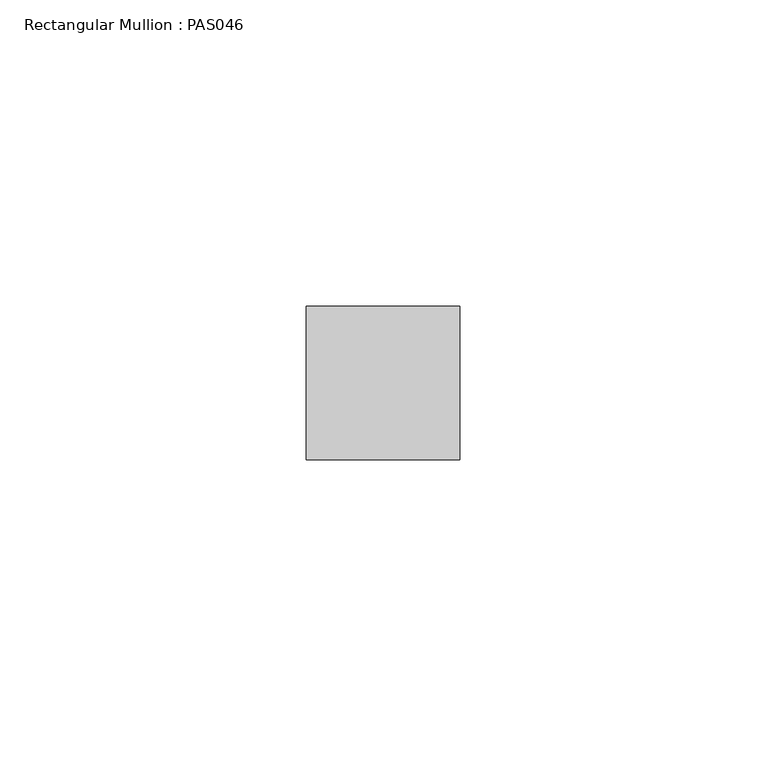
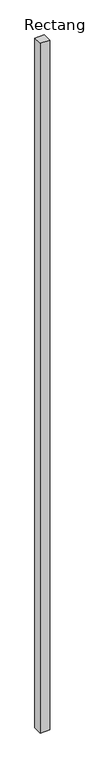
"""IFC4 building model written with IfcOpenShell, lengths in millimetres: member geometry, Rectangular Mullion : PAS046."""

from ifc_helpers import new_model, si_unit, frame, origin, place, context, project, spatial, polyline, outline, extrude, source, transform, mapped, element, save


def rectangular_mullion_pas046_92718b9f(model_context):
    return source(origin(), model_context, "Body", "SweptSolid", [
        extrude(outline(polyline([(0.0, 0.0), (-25.0, 0.0), (-25.0, 25.0), (0.0, 25.0), (0.0, 0.0)])), frame((0.0, 0.0, -1950.0), z_axis=(0.0, 0.0, 1.0), x_axis=(1.0, 0.0, 0.0)), (0.0, 0.0, 1.0), 1950.0),
    ])


if __name__ == "__main__":
    model = new_model("IFC4")
    model_context = context("Model", 3, world=origin())
    ifc_project = project(units=[si_unit("LENGTHUNIT", "METRE", prefix="MILLI")], contexts=[model_context])
    site = spatial("IfcSite", under=ifc_project)
    building = spatial("IfcBuilding", under=site)
    placement = place(None, origin())
    rectangular_mullion_pas046_shape = rectangular_mullion_pas046_92718b9f(model_context)
    element("IfcMember", 1, ObjectType="Rectangular Mullion : PAS046", at=placement, inside=building, context=model_context, shape_type="MappedRepresentation", body=[
        mapped(rectangular_mullion_pas046_shape, transform((0.0, 0.0, 0.0), x_axis=(1.0, 0.0, 0.0), y_axis=(0.0, 1.0, 0.0), z_axis=(0.0, 0.0, 1.0))),
    ])
    save(model, "model.ifc")
